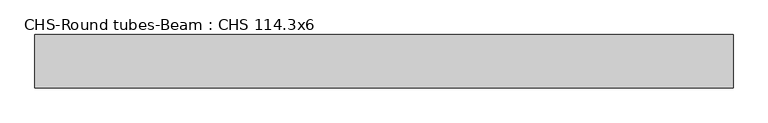
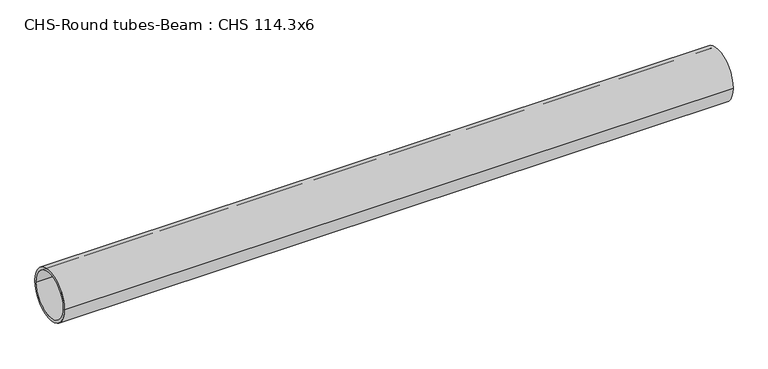
"""IFC4 building model written with IfcOpenShell, lengths in millimetres: beam geometry, CHS-Round tubes-Beam : CHS 114.3x6."""

from ifc_helpers import new_model, si_unit, point, frame, origin, origin_2d, place, context, project, spatial, circle_curve, trimmed, segment, composite_curve, outline, extrude, source, transform, mapped, element, save


def chs_round_tubes_beam_chs_114_3x6_d739c6ef(model_context):
    return source(origin(), model_context, "Body", "SweptSolid", [
        extrude(outline(composite_curve([segment(trimmed(circle_curve(origin_2d(), 57.15), [point((57.15, 0.0))], [point((-57.15, 0.0))], False, "CARTESIAN"), True, "CONTINUOUS"), segment(trimmed(circle_curve(origin_2d(), 57.15), [point((-57.15, 0.0))], [point((57.15, 0.0))], False, "CARTESIAN"), True, "CONTINUOUS")], self_intersect=False), holes=[composite_curve([segment(trimmed(circle_curve(origin_2d(), 51.15), [point((51.15, 0.0))], [point((-51.15, 0.0))], True, "CARTESIAN"), True, "CONTINUOUS"), segment(trimmed(circle_curve(origin_2d(), 51.15), [point((-51.15, 0.0))], [point((51.15, 0.0))], True, "CARTESIAN"), True, "CONTINUOUS")], self_intersect=False)]), frame((-747.2099451, 0.0, 0.0), z_axis=(1.0, 0.0, 0.0), x_axis=(0.0, 1.0, 0.0)), (0.0, 0.0, 1.0), 1498.1610764),
    ])


if __name__ == "__main__":
    model = new_model("IFC4")
    model_context = context("Model", 3, world=origin())
    ifc_project = project(units=[si_unit("LENGTHUNIT", "METRE", prefix="MILLI")], contexts=[model_context])
    site = spatial("IfcSite", under=ifc_project)
    building = spatial("IfcBuilding", under=site)
    placement = place(None, origin())
    chs_round_tubes_beam_chs_114_3x6_shape = chs_round_tubes_beam_chs_114_3x6_d739c6ef(model_context)
    element("IfcBeam", 1, ObjectType="CHS-Round tubes-Beam : CHS 114.3x6", at=placement, inside=building, context=model_context, shape_type="MappedRepresentation", body=[
        mapped(chs_round_tubes_beam_chs_114_3x6_shape, transform((0.0, 0.0, 0.0), x_axis=(1.0, 0.0, 0.0), y_axis=(0.0, 1.0, 0.0), z_axis=(0.0, 0.0, 1.0))),
    ])
    save(model, "model.ifc")
